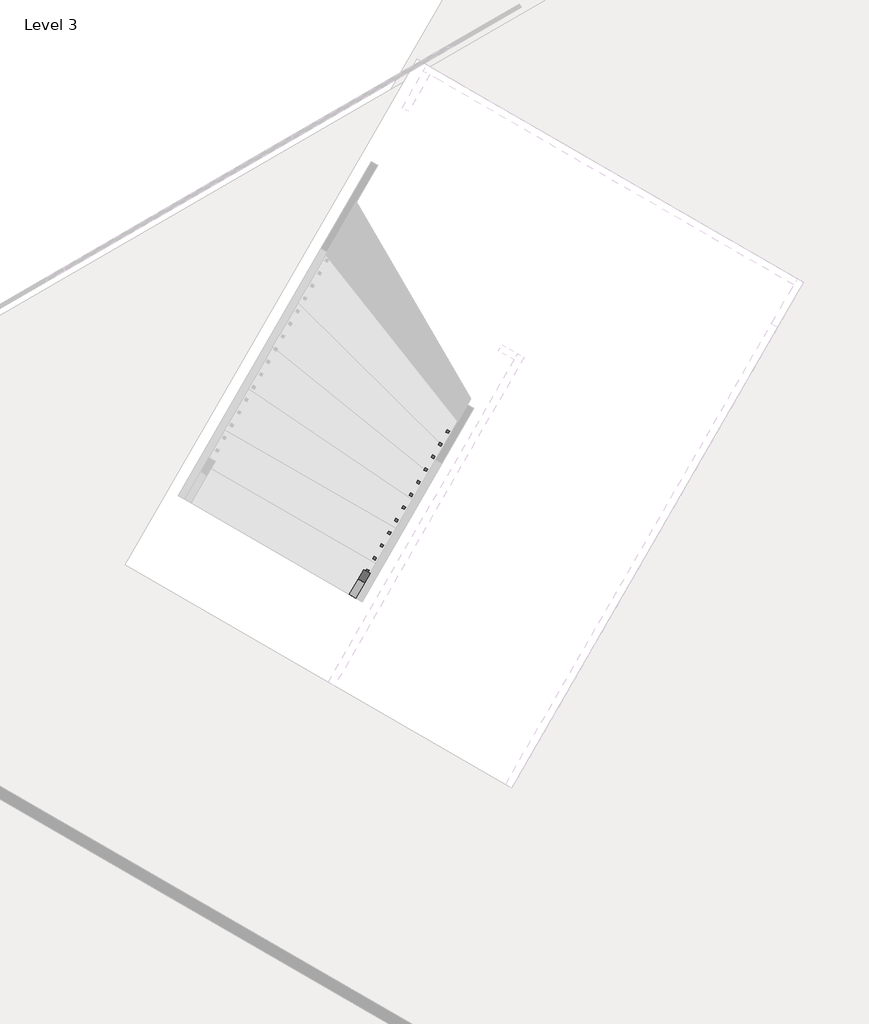
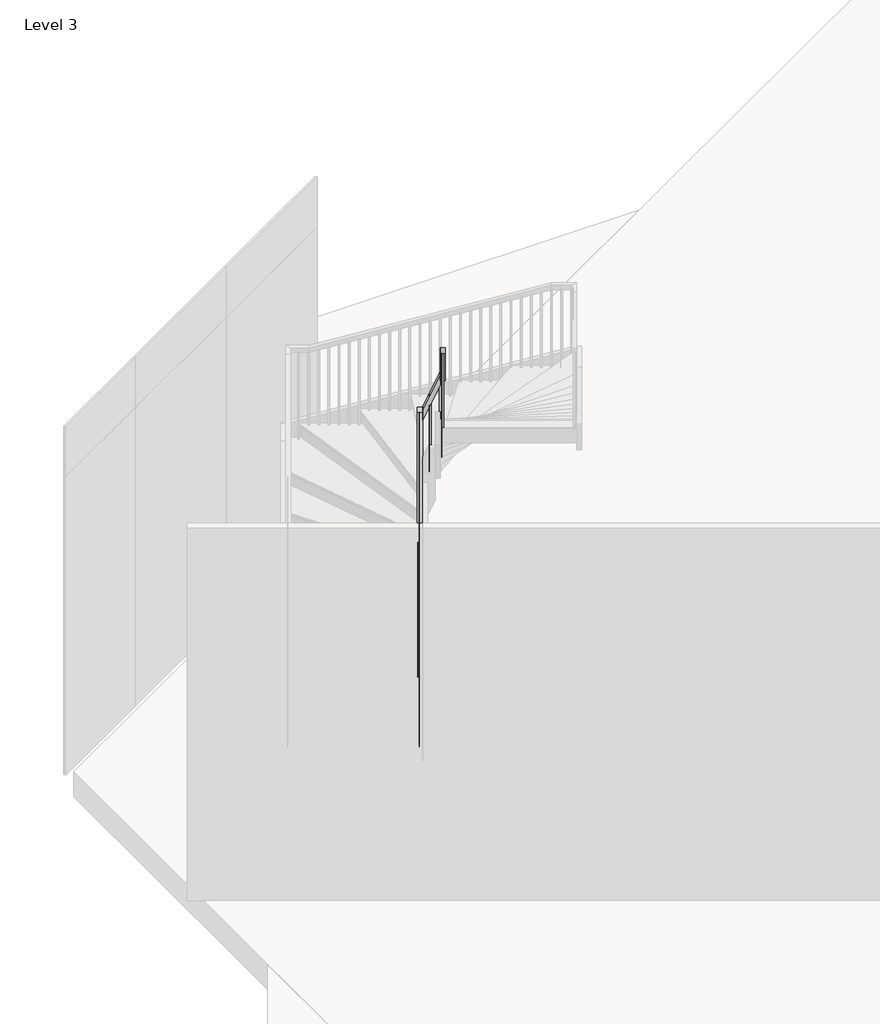
# One storey, part 4 of 5: 1 railing.
"""IFC4 building model written with IfcOpenShell, lengths in millimetres."""

from ifc_helpers import new_model, si_unit, frame, origin, place, context, project, spatial, polyline, outline, extrude, faceted_brep, element, save

model = new_model("IFC4")

# Units and contexts
model_context = context("Model", 3, world=origin())
ifc_project = project(units=[si_unit("LENGTHUNIT", "METRE", prefix="MILLI")], contexts=[model_context])

# Site, building, storey
site = spatial("IfcSite", under=ifc_project)
building = spatial("IfcBuilding", under=site)
storey = spatial("IfcBuildingStorey", under=building, Name="Level 3", Elevation=12192.0)

# Railing
placement = place(None, origin())
element("IfcRailing", 1, ObjectType="Handrail - Rectangular", at=placement, inside=storey, context=model_context, shape_type="SolidModel", body=[
    faceted_brep([(34014.7445548, -105247.8810454, 13282.2461538), (34014.7445548, -105247.8810454, 13214.1256213), (34058.7429103, -105273.2736568, 13214.1256213), (34058.7429103, -105273.2736568, 13282.2461538), (35013.3994654, -103517.4889589, 15067.1594253), (35023.0902639, -103500.6974918, 15016.3594253), (35067.0886194, -103526.0901032, 15016.3594253), (35057.3978209, -103542.8815702, 15067.1594253), (35056.3396329, -103443.0855535, 15067.1594253), (35100.3379884, -103468.4781649, 15067.1594253), (35100.3379884, -103468.4781649, 15016.3594253), (35056.3396329, -103443.0855535, 15016.3594253)], [[[0, 1, 2, 3]], [[1, 0, 4, 5]], [[2, 1, 5, 6]], [[3, 2, 6, 7]], [[0, 3, 7, 4]], [[8, 9, 10, 11]], [[5, 4, 8, 11]], [[6, 5, 11, 10]], [[7, 6, 10, 9]], [[4, 7, 9, 8]]]),
    faceted_brep([(35100.3379884, -103468.4781649, 15075.1386609), (35100.3379884, -103468.4781649, 14941.0722071), (35074.945377, -103512.4765204, 14941.0722071), (35074.945377, -103512.4765204, 15075.1386609), (35253.2433824, -103556.7239005, 15506.3105625), (35227.850771, -103600.722256, 15506.3105625), (35227.850771, -103600.722256, 15372.2441087), (35253.2433824, -103556.7239005, 15372.2441087)], [[[0, 1, 2, 3]], [[4, 5, 6, 7]], [[1, 0, 4, 7]], [[2, 1, 7, 6]], [[3, 2, 6, 5]], [[0, 3, 5, 4]]]),
    faceted_brep([(33954.6873083, -105908.39112, 17678.4), (33910.6889528, -105882.9985087, 17678.4), (33910.6889528, -105882.9985087, 17612.3438014), (33954.6873083, -105908.39112, 17612.3438014), (35244.9274311, -103672.7627016, 15466.924312), (35254.1024011, -103656.8650222, 15517.724312), (35200.9290756, -103647.3700902, 15466.924312), (35210.1040456, -103631.4724108, 15517.724312), (35297.2417379, -103582.1165118, 15517.724312), (35297.2417379, -103582.1165118, 15466.924312), (35253.2433824, -103556.7239005, 15466.924312), (35253.2433824, -103556.7239005, 15517.724312)], [[[0, 1, 2, 3]], [[4, 5, 0, 3]], [[6, 4, 3, 2]], [[7, 6, 2, 1]], [[5, 7, 1, 0]], [[8, 9, 10, 11]], [[9, 8, 5, 4]], [[10, 9, 4, 6]], [[11, 10, 6, 7]], [[8, 11, 7, 5]]]),
    extrude(outline(polyline([(236.5168117, -19.05), (220.6831883, 0.0), (1237.0891849, 0.0), (1237.0891849, -19.05), (236.5168117, -19.05)])), frame((33945.6190399, -105892.3446766, 17825.2430311), z_axis=(-0.8661093604012476, 0.4998545546709981, 0.0), x_axis=(0.0, 0.0, -1.0)), (0.0, 0.0, 1.0), 19.05),
    extrude(outline(polyline([(236.5168117, -19.05), (220.6831882, 0.0), (1152.6431932, 0.0), (1152.6431932, -19.05), (236.5168117, -19.05)])), frame((33996.4042626, -105804.3479656, 17740.7970394), z_axis=(-0.8661093604012476, 0.4998545546709981, 0.0), x_axis=(0.0, 0.0, -1.0)), (0.0, 0.0, 1.0), 19.05),
    extrude(outline(polyline([(236.5168118, -19.05), (220.6831883, 0.0), (1068.1972016, 0.0), (1068.1972016, -19.05), (236.5168118, -19.05)])), frame((34047.1894854, -105716.3512546, 17656.3510478), z_axis=(-0.8661093604012476, 0.4998545546709981, 0.0), x_axis=(0.0, 0.0, -1.0)), (0.0, 0.0, 1.0), 19.05),
    extrude(outline(polyline([(236.5168117, -19.05), (220.6831883, 0.0), (1159.5973638, 0.0), (1159.5973638, -19.05), (236.5168117, -19.05)])), frame((34097.9747081, -105628.3545436, 17571.9050561), z_axis=(-0.8661093604012476, 0.4998545546709981, 0.0), x_axis=(0.0, 0.0, -1.0)), (0.0, 0.0, 1.0), 19.05),
    extrude(outline(polyline([(236.5168117, -19.05), (220.6831883, 0.0), (1075.1513721, 0.0), (1075.1513721, -19.05), (236.5168117, -19.05)])), frame((34148.7599309, -105540.3578326, 17487.4590644), z_axis=(-0.8661093604012476, 0.4998545546709981, 0.0), x_axis=(0.0, 0.0, -1.0)), (0.0, 0.0, 1.0), 19.05),
    extrude(outline(polyline([(236.5168117, -19.05), (220.6831882, 0.0), (990.7053804, 0.0), (990.7053804, -19.05), (236.5168117, -19.05)])), frame((34199.5451536, -105452.3611215, 17403.0130727), z_axis=(-0.8661093604012476, 0.4998545546709981, 0.0), x_axis=(0.0, 0.0, -1.0)), (0.0, 0.0, 1.0), 19.05),
    extrude(outline(polyline([(236.5168118, -19.05), (220.6831883, 0.0), (1082.1055426, 0.0), (1082.1055426, -19.05), (236.5168118, -19.05)])), frame((34250.3303764, -105364.3644105, 17318.5670811), z_axis=(-0.8661093604012476, 0.4998545546709981, 0.0), x_axis=(0.0, 0.0, -1.0)), (0.0, 0.0, 1.0), 19.05),
    extrude(outline(polyline([(236.5168117, -19.05), (220.6831883, 0.0), (997.6595509, 0.0), (997.6595509, -19.05), (236.5168117, -19.05)])), frame((34301.1155991, -105276.3676995, 17234.1210894), z_axis=(-0.8661093604012476, 0.4998545546709981, 0.0), x_axis=(0.0, 0.0, -1.0)), (0.0, 0.0, 1.0), 19.05),
    extrude(outline(polyline([(236.5168117, -19.05), (220.6831883, 0.0), (1089.0597131, 0.0), (1089.0597131, -19.05), (236.5168117, -19.05)])), frame((34351.9008219, -105188.3709885, 17149.6750977), z_axis=(-0.8661093604012476, 0.4998545546709981, 0.0), x_axis=(0.0, 0.0, -1.0)), (0.0, 0.0, 1.0), 19.05),
    extrude(outline(polyline([(236.5168117, -19.05), (220.6831882, 0.0), (1004.6137214, 0.0), (1004.6137214, -19.05), (236.5168117, -19.05)])), frame((34402.6860446, -105100.3742775, 17065.229106), z_axis=(-0.8661093604012476, 0.4998545546709981, 0.0), x_axis=(0.0, 0.0, -1.0)), (0.0, 0.0, 1.0), 19.05),
    extrude(outline(polyline([(236.5168118, -19.0500001), (220.6831883, 0.0), (920.1677298, 0.0), (920.1677298, -19.0500001), (236.5168118, -19.0500001)])), frame((34453.4712674, -105012.3775665, 16980.7831144), z_axis=(-0.8661093604012476, 0.4998545546709981, 0.0), x_axis=(0.0, 0.0, -1.0)), (0.0, 0.0, 1.0), 19.05),
    extrude(outline(polyline([(236.5168117, -19.05), (220.6831883, 0.0), (1011.5678919, 0.0), (1011.5678919, -19.05), (236.5168117, -19.05)])), frame((34504.2564902, -104924.3808554, 16896.3371227), z_axis=(-0.8661093604012476, 0.4998545546709981, 0.0), x_axis=(0.0, 0.0, -1.0)), (0.0, 0.0, 1.0), 19.05),
    extrude(outline(polyline([(236.5168117, -19.05), (220.6831883, 0.0), (927.1219002, 0.0), (927.1219002, -19.05), (236.5168117, -19.05)])), frame((34555.0417129, -104836.3841444, 16811.891131), z_axis=(-0.8661093604012476, 0.4998545546709981, 0.0), x_axis=(0.0, 0.0, -1.0)), (0.0, 0.0, 1.0), 19.05),
    extrude(outline(polyline([(236.5168117, -19.05), (220.6831882, 0.0), (1018.5220624, 0.0), (1018.5220624, -19.05), (236.5168117, -19.05)])), frame((34605.8269357, -104748.3874334, 16727.4451393), z_axis=(-0.8661093604012476, 0.4998545546709981, 0.0), x_axis=(0.0, 0.0, -1.0)), (0.0, 0.0, 1.0), 19.05),
    extrude(outline(polyline([(236.5168118, -19.05), (220.6831883, 0.0), (934.0760708, 0.0), (934.0760708, -19.05), (236.5168118, -19.05)])), frame((34656.6121584, -104660.3907224, 16642.9991477), z_axis=(-0.8661093604012476, 0.4998545546709981, 0.0), x_axis=(0.0, 0.0, -1.0)), (0.0, 0.0, 1.0), 19.05),
    extrude(outline(polyline([(236.5168117, -19.05), (220.6831883, 0.0), (1025.4762329, 0.0), (1025.4762329, -19.05), (236.5168117, -19.05)])), frame((34707.3973812, -104572.3940114, 16558.553156), z_axis=(-0.8661093604012476, 0.4998545546709981, 0.0), x_axis=(0.0, 0.0, -1.0)), (0.0, 0.0, 1.0), 19.05),
    extrude(outline(polyline([(236.5168117, -19.0500001), (220.6831883, 0.0), (941.0302412, 0.0), (941.0302412, -19.0500001), (236.5168117, -19.0500001)])), frame((34758.1826039, -104484.3973004, 16474.1071643), z_axis=(-0.8661093604012476, 0.4998545546709981, 0.0), x_axis=(0.0, 0.0, -1.0)), (0.0, 0.0, 1.0), 19.05),
    extrude(outline(polyline([(236.5168117, -19.05), (220.6831882, 0.0), (856.5842495, 0.0), (856.5842495, -19.05), (236.5168117, -19.05)])), frame((34808.9678267, -104396.4005893, 16389.6611726), z_axis=(-0.8661093604012476, 0.4998545546709981, 0.0), x_axis=(0.0, 0.0, -1.0)), (0.0, 0.0, 1.0), 19.05),
    extrude(outline(polyline([(236.5168118, -19.05), (220.6831883, 0.0), (947.9844118, 0.0), (947.9844118, -19.05), (236.5168118, -19.05)])), frame((34859.7530494, -104308.4038783, 16305.215181), z_axis=(-0.8661093604012476, 0.4998545546709981, 0.0), x_axis=(0.0, 0.0, -1.0)), (0.0, 0.0, 1.0), 19.05),
    extrude(outline(polyline([(236.5168117, -19.05), (220.6831883, 0.0), (863.5384201, 0.0), (863.5384201, -19.05), (236.5168117, -19.05)])), frame((34910.5382722, -104220.4071673, 16220.7691893), z_axis=(-0.8661093604012476, 0.4998545546709981, 0.0), x_axis=(0.0, 0.0, -1.0)), (0.0, 0.0, 1.0), 19.05),
    extrude(outline(polyline([(236.5168117, -19.05), (220.6831883, 0.0), (954.9385822, 0.0), (954.9385822, -19.05), (236.5168117, -19.05)])), frame((34961.3234949, -104132.4104563, 16136.3231976), z_axis=(-0.8661093604012476, 0.4998545546709981, 0.0), x_axis=(0.0, 0.0, -1.0)), (0.0, 0.0, 1.0), 19.05),
    extrude(outline(polyline([(236.5168117, -19.05), (220.6831882, 0.0), (1046.3387444, 0.0), (1046.3387444, -19.05), (236.5168117, -19.05)])), frame((35012.1087177, -104044.4137453, 16051.8772059), z_axis=(-0.8661093604012476, 0.4998545546709981, 0.0), x_axis=(0.0, 0.0, -1.0)), (0.0, 0.0, 1.0), 19.05),
    extrude(outline(polyline([(236.5168118, -19.05), (220.6831883, 0.0), (961.8927528, 0.0), (961.8927528, -19.05), (236.5168118, -19.05)])), frame((35062.8939405, -103956.4170343, 15967.4312143), z_axis=(-0.8661093604012476, 0.4998545546709981, 0.0), x_axis=(0.0, 0.0, -1.0)), (0.0, 0.0, 1.0), 19.05),
    extrude(outline(polyline([(236.5168117, -19.05), (220.6831883, 0.0), (1053.2929149, 0.0), (1053.2929149, -19.05), (236.5168117, -19.05)])), frame((35113.6791632, -103868.4203232, 15882.9852226), z_axis=(-0.8661093604012476, 0.4998545546709981, 0.0), x_axis=(0.0, 0.0, -1.0)), (0.0, 0.0, 1.0), 19.05),
    extrude(outline(polyline([(236.5168117, -19.05), (220.6831883, 0.0), (1144.6930771, 0.0), (1144.6930771, -19.05), (236.5168117, -19.05)])), frame((35164.464386, -103780.4236122, 15798.5392309), z_axis=(-0.8661093604012476, 0.4998545546709981, 0.0), x_axis=(0.0, 0.0, -1.0)), (0.0, 0.0, 1.0), 19.05),
    extrude(outline(polyline([(236.5168117, -19.05), (220.6831882, 0.0), (1060.2470854, 0.0), (1060.2470854, -19.05), (236.5168117, -19.05)])), frame((35215.2496087, -103692.4269012, 15714.0932392), z_axis=(-0.8661093604012476, 0.4998545546709981, 0.0), x_axis=(0.0, 0.0, -1.0)), (0.0, 0.0, 1.0), 19.05),
    extrude(outline(polyline([(205.3370192, -19.05), (251.8629807, 0.0), (1125.9145148, 0.0), (1125.9145148, -19.05), (205.3370192, -19.05)])), frame((35228.6251207, -103582.8400595, 15603.9145148), z_axis=(0.4998545546710269, 0.8661093604012311, 0.0), x_axis=(0.0, 0.0, -1.0000000000000002)), (0.0, 0.0, 1.0), 19.05),
    extrude(outline(polyline([(205.3370192, -19.05), (251.8629808, 0.0), (1053.6222071, 0.0), (1053.6222071, -19.05), (205.3370192, -19.05)])), frame((35140.6284097, -103532.0548367, 15355.7760533), z_axis=(0.4998545546710269, 0.8661093604012311, 0.0), x_axis=(0.0, 0.0, -1.0000000000000002)), (0.0, 0.0, 1.0), 19.05),
    extrude(outline(polyline([(35055.9367647, -103513.6539371), (35039.4373814, -103504.1317078), (35048.9596106, -103487.6323245), (35065.4589939, -103497.1545538), (35055.9367647, -103513.6539371)])), frame((0.0, 0.0, 14126.3076923), z_axis=(0.0, 0.0, 1.0), x_axis=(1.0, 0.0, 0.0)), (0.0, 0.0, 1.0), 890.0517329),
    extrude(outline(polyline([(220.0903771, -19.05), (237.1096229, 0.0), (1216.8809905, 0.0), (1216.8809905, -19.05), (220.0903771, -19.05)])), frame((35005.1515419, -103601.6506481, 15167.342529), z_axis=(-0.8661093604012488, 0.49985455467099604, 0.0), x_axis=(0.0, 0.0, -1.0)), (0.0, 0.0, 1.0), 19.05),
    extrude(outline(polyline([(220.0903771, -19.05), (237.1096229, 0.0), (1301.9578334, 0.0), (1301.9578334, -19.05), (220.0903771, -19.05)])), frame((34954.3663192, -103689.6473591, 15076.573218), z_axis=(-0.8661093604012488, 0.49985455467099604, 0.0), x_axis=(0.0, 0.0, -1.0)), (0.0, 0.0, 1.0), 19.05),
    extrude(outline(polyline([(220.0903771, -19.05), (237.1096229, 0.0), (1211.1885225, 0.0), (1211.1885225, -19.05), (220.0903771, -19.05)])), frame((34903.5810964, -103777.6440701, 14985.8039071), z_axis=(-0.8661093604012488, 0.49985455467099604, 0.0), x_axis=(0.0, 0.0, -1.0)), (0.0, 0.0, 1.0), 19.05),
    extrude(outline(polyline([(220.0903771, -19.05), (237.1096229, 0.0), (1296.2653654, 0.0), (1296.2653654, -19.05), (220.0903771, -19.05)])), frame((34852.7958737, -103865.6407811, 14895.0345962), z_axis=(-0.8661093604012488, 0.49985455467099604, 0.0), x_axis=(0.0, 0.0, -1.0)), (0.0, 0.0, 1.0), 19.05),
    extrude(outline(polyline([(220.0903771, -19.0500001), (237.1096229, 0.0), (1381.3422083, 0.0), (1381.3422083, -19.0500001), (220.0903771, -19.0500001)])), frame((34802.0106509, -103953.6374922, 14804.2652852), z_axis=(-0.8661093604012488, 0.49985455467099604, 0.0), x_axis=(0.0, 0.0, -1.0)), (0.0, 0.0, 1.0), 19.05),
    extrude(outline(polyline([(220.0903771, -19.05), (237.1096229, 0.0), (1290.5728974, 0.0), (1290.5728974, -19.05), (220.0903771, -19.05)])), frame((34751.2254281, -104041.6342032, 14713.4959743), z_axis=(-0.8661093604012488, 0.49985455467099604, 0.0), x_axis=(0.0, 0.0, -1.0)), (0.0, 0.0, 1.0), 19.05),
    extrude(outline(polyline([(220.0903771, -19.05), (237.1096229, 0.0), (1375.6497403, 0.0), (1375.6497403, -19.05), (220.0903771, -19.05)])), frame((34700.4402054, -104129.6309142, 14622.7266634), z_axis=(-0.8661093604012488, 0.49985455467099604, 0.0), x_axis=(0.0, 0.0, -1.0)), (0.0, 0.0, 1.0), 19.05),
    extrude(outline(polyline([(220.0903771, -19.05), (237.1096229, 0.0), (1460.7265833, 0.0), (1460.7265833, -19.05), (220.0903771, -19.05)])), frame((34649.6549826, -104217.6276252, 14531.9573525), z_axis=(-0.8661093604012488, 0.49985455467099604, 0.0), x_axis=(0.0, 0.0, -1.0)), (0.0, 0.0, 1.0), 19.05),
    extrude(outline(polyline([(220.0903771, -19.05), (237.1096229, 0.0), (1369.9572723, 0.0), (1369.9572723, -19.05), (220.0903771, -19.05)])), frame((34598.8697599, -104305.6243362, 14441.1880415), z_axis=(-0.8661093604012488, 0.49985455467099604, 0.0), x_axis=(0.0, 0.0, -1.0)), (0.0, 0.0, 1.0), 19.05),
    extrude(outline(polyline([(220.0903771, -19.05), (237.1096229, 0.0), (1279.1879614, 0.0), (1279.1879614, -19.05), (220.0903771, -19.05)])), frame((34548.0845371, -104393.6210472, 14350.4187306), z_axis=(-0.8661093604012488, 0.49985455467099604, 0.0), x_axis=(0.0, 0.0, -1.0)), (0.0, 0.0, 1.0), 19.05),
    extrude(outline(polyline([(220.0903771, -19.05), (237.1096229, 0.0), (1364.2648043, 0.0), (1364.2648043, -19.05), (220.0903771, -19.05)])), frame((34497.2993144, -104481.6177583, 14259.6494197), z_axis=(-0.8661093604012488, 0.49985455467099604, 0.0), x_axis=(0.0, 0.0, -1.0)), (0.0, 0.0, 1.0), 19.05),
    extrude(outline(polyline([(220.0903771, -19.05), (237.1096229, 0.0), (1273.4954933, 0.0), (1273.4954933, -19.05), (220.0903771, -19.05)])), frame((34446.5140916, -104569.6144693, 14168.8801087), z_axis=(-0.8661093604012488, 0.49985455467099604, 0.0), x_axis=(0.0, 0.0, -1.0)), (0.0, 0.0, 1.0), 19.05),
    extrude(outline(polyline([(220.0903771, -19.05), (237.1096229, 0.0), (1358.5723363, 0.0), (1358.5723363, -19.05), (220.0903771, -19.05)])), frame((34395.7288689, -104657.6111803, 14078.1107978), z_axis=(-0.8661093604012488, 0.49985455467099604, 0.0), x_axis=(0.0, 0.0, -1.0)), (0.0, 0.0, 1.0), 19.05),
    extrude(outline(polyline([(220.0903771, -19.05), (237.1096229, 0.0), (1267.8030254, 0.0), (1267.8030254, -19.05), (220.0903771, -19.05)])), frame((34344.9436461, -104745.6078913, 13987.3414869), z_axis=(-0.8661093604012488, 0.49985455467099604, 0.0), x_axis=(0.0, 0.0, -1.0)), (0.0, 0.0, 1.0), 19.05),
    extrude(outline(polyline([(220.0903771, -19.05), (237.1096229, 0.0), (1352.8798683, 0.0), (1352.8798683, -19.05), (220.0903771, -19.05)])), frame((34294.1584234, -104833.6046023, 13896.572176), z_axis=(-0.8661093604012488, 0.49985455467099604, 0.0), x_axis=(0.0, 0.0, -1.0)), (0.0, 0.0, 1.0), 19.05),
    extrude(outline(polyline([(220.0903771, -19.05), (237.1096229, 0.0), (1262.1105573, 0.0), (1262.1105573, -19.05), (220.0903771, -19.05)])), frame((34243.3732006, -104921.6013133, 13805.802865), z_axis=(-0.8661093604012488, 0.49985455467099604, 0.0), x_axis=(0.0, 0.0, -1.0)), (0.0, 0.0, 1.0), 19.05),
    extrude(outline(polyline([(220.0903771, -19.0500001), (237.1096229, 0.0), (1171.3412464, 0.0), (1171.3412464, -19.0500001), (220.0903771, -19.0500001)])), frame((34192.5879778, -105009.5980244, 13715.0335541), z_axis=(-0.8661093604012488, 0.49985455467099604, 0.0), x_axis=(0.0, 0.0, -1.0)), (0.0, 0.0, 1.0), 19.05),
    extrude(outline(polyline([(220.0903771, -19.05), (237.1096229, 0.0), (1256.4180894, 0.0), (1256.4180894, -19.05), (220.0903771, -19.05)])), frame((34141.8027551, -105097.5947354, 13624.2642432), z_axis=(-0.8661093604012488, 0.49985455467099604, 0.0), x_axis=(0.0, 0.0, -1.0)), (0.0, 0.0, 1.0), 19.05),
    extrude(outline(polyline([(220.0903771, -19.05), (237.1096229, 0.0), (1165.6487784, 0.0), (1165.6487784, -19.05), (220.0903771, -19.05)])), frame((34091.0175323, -105185.5914464, 13533.4949322), z_axis=(-0.8661093604012488, 0.49985455467099604, 0.0), x_axis=(0.0, 0.0, -1.0)), (0.0, 0.0, 1.0), 19.05),
    extrude(outline(polyline([(205.3370193, -19.05), (251.8629808, 0.0), (1184.8787241, 0.0), (1184.8787241, -19.05), (205.3370193, -19.05)])), frame((35249.5354482, -103594.9079609, 15662.8787241), z_axis=(0.4998545546710269, 0.8661093604012311, 0.0), x_axis=(0.0, 0.0, -1.0000000000000002)), (0.0, 0.0, 1.0), 19.05),
    extrude(outline(polyline([(35069.131082, -103490.7918432), (35052.6316987, -103481.269614), (35062.1539279, -103464.7702306), (35078.6533113, -103474.2924599), (35069.131082, -103490.7918432)])), frame((0.0, 0.0, 14126.3076923), z_axis=(0.0, 0.0, 1.0), x_axis=(1.0, 0.0, 0.0)), (0.0, 0.0, 1.0), 890.0517329),
    extrude(outline(polyline([(236.5168117, -19.05), (220.6831882, 0.0), (1244.8731434, 0.0), (1244.8731434, -19.05), (236.5168117, -19.05)])), frame((33940.9378222, -105900.455929, 17833.0269896), z_axis=(-0.8661093604012476, 0.4998545546709981, 0.0), x_axis=(0.0, 0.0, -1.0)), (0.0, 0.0, 1.0), 19.05),
    extrude(outline(polyline([(220.0903771, -19.05), (237.1096229, 0.0), (1083.3890904, 0.0), (1083.3890904, -19.05), (220.0903771, -19.05)])), frame((34044.9934242, -105265.3384657, 13451.2352442), z_axis=(-0.8661093604012488, 0.49985455467099604, 0.0), x_axis=(0.0, 0.0, -1.0)), (0.0, 0.0, 1.0), 19.05),
])

save(model, "model.ifc")
